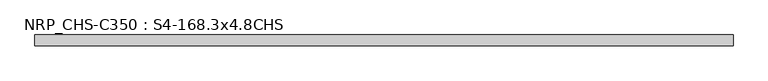
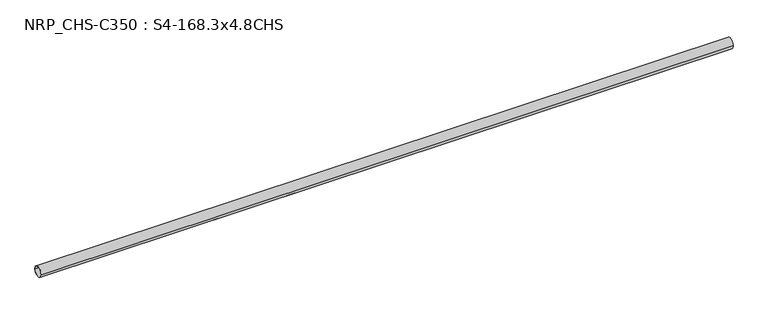
"""IFC4 building model written with IfcOpenShell, lengths in millimetres: beam geometry, NRP_CHS-C350 : S4-168.3x4.8CHS."""

from ifc_helpers import new_model, si_unit, point, frame, origin, origin_2d, place, context, project, spatial, circle_curve, trimmed, segment, composite_curve, outline, extrude, source, transform, mapped, element, save


def nrp_chs_c350_s4_168_3x4_8chs_6d30e0df(model_context):
    return source(origin(), model_context, "Body", "SweptSolid", [
        extrude(outline(composite_curve([segment(trimmed(circle_curve(origin_2d(), 84.15), [point((-84.15, 0.0))], [point((84.15, 0.0))], False, "CARTESIAN"), True, "CONTINUOUS"), segment(trimmed(circle_curve(origin_2d(), 84.15), [point((84.15, 0.0))], [point((-84.15, 0.0))], False, "CARTESIAN"), True, "CONTINUOUS")], self_intersect=False), holes=[composite_curve([segment(trimmed(circle_curve(origin_2d(), 79.35), [point((79.35, 0.0))], [point((-79.35, 0.0))], True, "CARTESIAN"), True, "CONTINUOUS"), segment(trimmed(circle_curve(origin_2d(), 79.35), [point((-79.35, 0.0))], [point((79.35, 0.0))], True, "CARTESIAN"), True, "CONTINUOUS")], self_intersect=False)]), frame((-5499.8, 0.0, 0.0), z_axis=(1.0, 0.0, 0.0), x_axis=(0.0, 1.0, 0.0)), (0.0, 0.0, 1.0), 10999.6),
    ])


if __name__ == "__main__":
    model = new_model("IFC4")
    model_context = context("Model", 3, world=origin())
    ifc_project = project(units=[si_unit("LENGTHUNIT", "METRE", prefix="MILLI")], contexts=[model_context])
    site = spatial("IfcSite", under=ifc_project)
    building = spatial("IfcBuilding", under=site)
    placement = place(None, origin())
    nrp_chs_c350_s4_168_3x4_8chs_shape = nrp_chs_c350_s4_168_3x4_8chs_6d30e0df(model_context)
    element("IfcBeam", 1, ObjectType="NRP_CHS-C350 : S4-168.3x4.8CHS", at=placement, inside=building, context=model_context, shape_type="MappedRepresentation", body=[
        mapped(nrp_chs_c350_s4_168_3x4_8chs_shape, transform((0.0, 0.0, 0.0), x_axis=(1.0, 0.0, 0.0), y_axis=(0.0, 1.0, 0.0), z_axis=(0.0, 0.0, 1.0))),
    ])
    save(model, "model.ifc")
